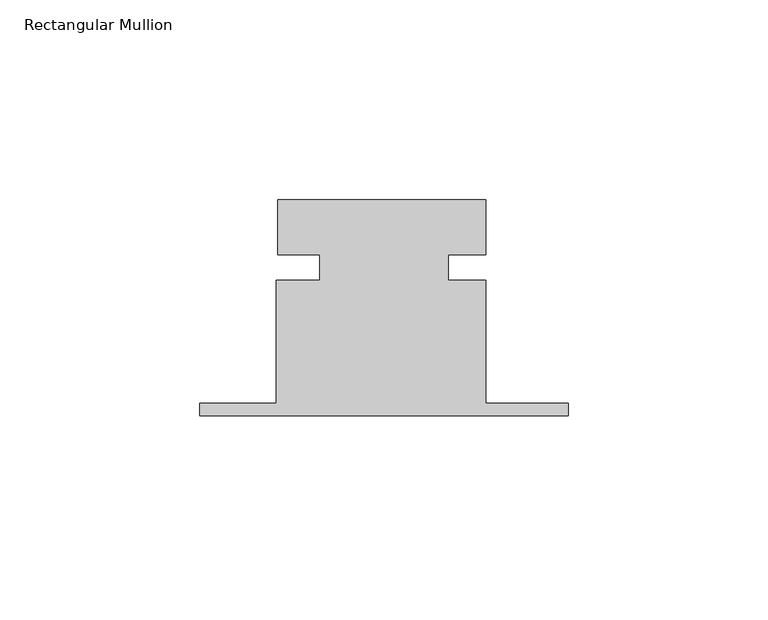
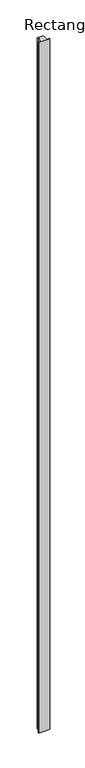
"""IFC4 building model written with IfcOpenShell, lengths in millimetres: member geometry, Rectangular Mullion."""

from ifc_helpers import new_model, si_unit, frame, origin, place, context, project, spatial, polyline, outline, extrude, source, transform, mapped, element, save


def rectangular_mullion_3f46d58b(model_context):
    return source(origin(), model_context, "Body", "SweptSolid", [
        extrude(outline(polyline([(25.3987808, 25.5906905), (25.3987808, 11.8759776), (16.09725, 11.8759776), (16.09725, 5.5259776), (25.3987808, 5.5259776), (25.3987808, -25.2093095), (46.0362808, -25.2093095), (46.0362808, -28.3843095), (-46.0387192, -28.3843095), (-46.0387192, -25.2093095), (-27.0045942, -25.2093095), (-27.0045942, 5.5259776), (-16.09725, 5.5259776), (-16.09725, 11.8759776), (-26.6077192, 11.8759776), (-26.6077192, 25.5906905), (25.3987808, 25.5906905)])), frame((0.0, 0.0, -6096.0), z_axis=(0.0, 0.0, 1.0), x_axis=(1.0, 0.0, 0.0)), (0.0, 0.0, 1.0), 6096.0),
    ])


if __name__ == "__main__":
    model = new_model("IFC4")
    model_context = context("Model", 3, world=origin())
    ifc_project = project(units=[si_unit("LENGTHUNIT", "METRE", prefix="MILLI")], contexts=[model_context])
    site = spatial("IfcSite", under=ifc_project)
    building = spatial("IfcBuilding", under=site)
    placement = place(None, origin())
    rectangular_mullion_shape = rectangular_mullion_3f46d58b(model_context)
    element("IfcMember", 1, ObjectType="Rectangular Mullion", at=placement, inside=building, context=model_context, shape_type="MappedRepresentation", body=[
        mapped(rectangular_mullion_shape, transform((0.0, 0.0, 0.0), x_axis=(1.0, 0.0, 0.0), y_axis=(0.0, 1.0, 0.0), z_axis=(0.0, 0.0, 1.0))),
    ])
    save(model, "model.ifc")
